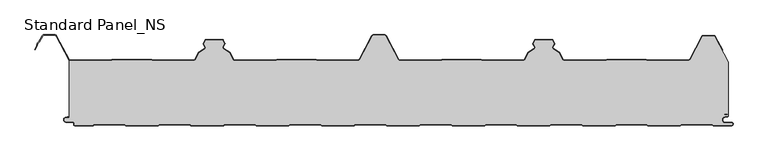
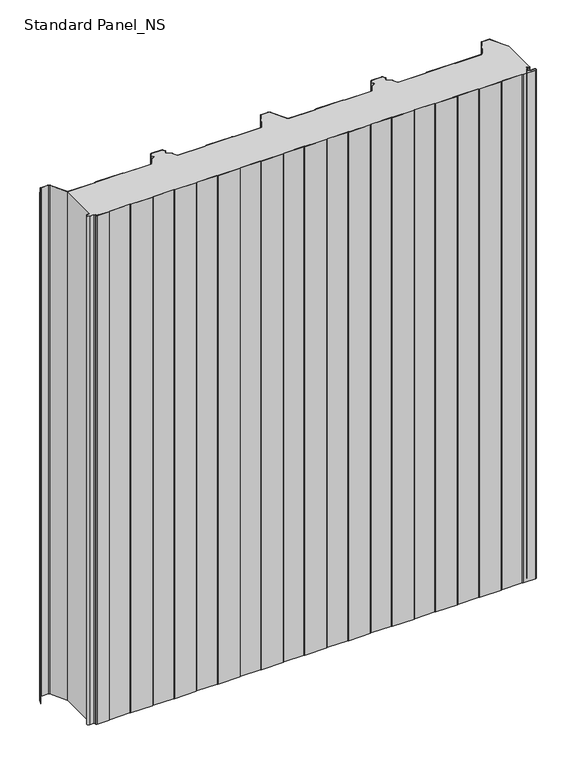
"""IFC4 building model written with IfcOpenShell, lengths in millimetres: proxy geometry, Standard Panel_NS."""

from ifc_helpers import new_model, si_unit, point, frame_2d, origin, origin_with_axes, place, context, project, spatial, polyline, circle_curve, trimmed, segment, composite_curve, outline, extrude, source, transform, mapped, element, save


def standard_panel_ns_97a75195(model_context):
    return source(origin(), model_context, "Body", "SweptSolid", [
        extrude(outline(composite_curve([segment(polyline([(-467.4564897, 99.2), (-406.1619183, 99.2), (-403.7802849, 100.1683897), (-343.9889442, 100.1683897), (-341.6073108, 99.2), (-279.468044, 99.2)]), True, "CONTINUOUS"), segment(trimmed(circle_curve(frame_2d((-279.4708299, 100.9999978)), 1.8), [point((-279.468044, 99.2))], [point((-277.8815327, 100.1549332))], True, "CARTESIAN"), True, "CONTINUOUS"), segment(polyline([(-277.8815327, 100.1549332), (-271.7571118, 111.6730163), (-262.7737199, 117.3606338)]), True, "CONTINUOUS"), segment(trimmed(circle_curve(frame_2d((-263.7365884, 118.8814507)), 1.8), [point((-262.7737199, 117.3606338))], [point((-262.1275659, 119.6883253))], True, "CARTESIAN"), True, "CONTINUOUS"), segment(polyline([(-262.1275659, 119.6883253), (-264.7246358, 124.8672514), (-261.74715, 130.4669529), (-236.2531818, 130.4669529), (-233.2700817, 124.8564238), (-235.8618916, 119.6882431)]), True, "CONTINUOUS"), segment(trimmed(circle_curve(frame_2d((-234.2528851, 118.8813366)), 1.8), [point((-235.8618916, 119.6882431))], [point((-235.2157839, 117.3605387))], True, "CARTESIAN"), True, "CONTINUOUS"), segment(polyline([(-235.2157839, 117.3605387), (-226.2491619, 111.6832892), (-220.1195157, 100.1548264)]), True, "CONTINUOUS"), segment(trimmed(circle_curve(frame_2d((-218.5304355, 100.9997352)), 1.7997352), [point((-220.1195157, 100.1548264))], [point((-218.5304355, 99.2))], True, "CARTESIAN"), True, "CONTINUOUS"), segment(polyline([(-218.5304355, 99.2), (-156.392871, 99.2), (-154.0112306, 100.1683897), (-94.2198897, 100.1683897), (-91.8382499, 99.2), (-30.5436784, 99.2)]), True, "CONTINUOUS"), segment(trimmed(circle_curve(frame_2d((-30.5436784, 101.75)), 2.55), [point((-30.5436784, 99.2))], [point((-28.292162, 100.5528475))], True, "CARTESIAN"), True, "CONTINUOUS"), segment(polyline([(-28.292162, 100.5528475), (-9.1889275, 136.4808064)]), True, "CONTINUOUS"), segment(trimmed(circle_curve(frame_2d((-7.3788849, 135.5183897)), 2.05), [point((-9.1889275, 136.4808064))], [point((-7.3788849, 137.5683897))], False, "CARTESIAN"), True, "CONTINUOUS"), segment(polyline([(-7.3788849, 137.5683897), (9.3787035, 137.5683897)]), True, "CONTINUOUS"), segment(trimmed(circle_curve(frame_2d((9.3787035, 135.5183897)), 2.05), [point((9.3787035, 137.5683897))], [point((11.188746, 136.4808064))], False, "CARTESIAN"), True, "CONTINUOUS"), segment(polyline([(11.188746, 136.4808064), (30.2919806, 100.5528475)]), True, "CONTINUOUS"), segment(trimmed(circle_curve(frame_2d((32.543497, 101.75)), 2.55), [point((30.2919806, 100.5528475))], [point((32.543497, 99.2))], True, "CARTESIAN"), True, "CONTINUOUS"), segment(polyline([(32.543497, 99.2), (94.3380684, 99.2), (96.7197082, 100.1683897), (156.5110491, 100.1683897), (158.8926889, 99.2), (220.3454724, 99.2)]), True, "CONTINUOUS"), segment(trimmed(circle_curve(frame_2d((220.5302541, 100.9904904)), 1.8), [point((220.3454724, 99.2))], [point((222.1195681, 100.1454573))], True, "CARTESIAN"), True, "CONTINUOUS"), segment(polyline([(222.1195681, 100.1454573), (228.2489804, 111.6734802), (237.2156025, 117.3507298)]), True, "CONTINUOUS"), segment(trimmed(circle_curve(frame_2d((236.2527038, 118.8715276)), 1.8), [point((237.2156025, 117.3507298))], [point((237.8617103, 119.6784342))], True, "CARTESIAN"), True, "CONTINUOUS"), segment(polyline([(237.8617103, 119.6784342), (235.2699012, 124.8466132), (238.2529825, 130.4573069), (263.7468294, 130.4573069), (266.7244548, 124.8574433), (264.1273846, 119.6785164)]), True, "CONTINUOUS"), segment(trimmed(circle_curve(frame_2d((265.7364071, 118.8716418)), 1.8), [point((264.1273846, 119.6785164))], [point((264.7735386, 117.3508249))], True, "CARTESIAN"), True, "CONTINUOUS"), segment(polyline([(264.7735386, 117.3508249), (273.7569305, 111.6632074), (279.8813514, 100.1451242)]), True, "CONTINUOUS"), segment(trimmed(circle_curve(frame_2d((281.4706486, 100.9901889)), 1.8), [point((279.8813514, 100.1451242))], [point((281.6583282, 99.2))], True, "CARTESIAN"), True, "CONTINUOUS"), segment(polyline([(281.6583282, 99.2), (343.5388467, 99.2), (346.5543556, 100.1683897), (406.3541332, 100.1683897), (409.30759, 99.2), (470.7064911, 99.2)]), True, "CONTINUOUS"), segment(trimmed(circle_curve(frame_2d((470.7064911, 101.7198823)), 2.5198823), [point((470.7064911, 99.2))], [point((472.9163892, 100.5090325))], True, "CARTESIAN"), True, "CONTINUOUS"), segment(polyline([(472.9163892, 100.5090325), (491.4348615, 135.4813607)]), True, "CONTINUOUS"), segment(trimmed(circle_curve(frame_2d((493.2446093, 134.5183897)), 2.05), [point((491.4348615, 135.4813607))], [point((493.2446093, 136.5683897))], False, "CARTESIAN"), True, "CONTINUOUS"), segment(polyline([(493.2446093, 136.5683897), (508.7552093, 136.5683897)]), True, "CONTINUOUS"), segment(trimmed(circle_curve(frame_2d((508.7552093, 134.5183897)), 2.05), [point((508.7552093, 136.5683897))], [point((510.5652518, 135.4808064))], False, "CARTESIAN"), True, "CONTINUOUS"), segment(polyline([(510.5652518, 135.4808064), (531.1556154, 96.7559646), (531.1556156, 15.3551162)]), True, "CONTINUOUS"), segment(trimmed(circle_curve(frame_2d((529.5058468, 15.3274964)), 1.65), [point((531.1556156, 15.3551162))], [point((529.7378129, 16.9611095))], True, "CARTESIAN"), True, "CONTINUOUS"), segment(polyline([(529.7378129, 16.9611095), (524.8136969, 17.660313), (524.7012285, 16.8682582), (529.6253445, 16.1690547)]), True, "CONTINUOUS"), segment(trimmed(circle_curve(frame_2d((529.5058468, 15.3274964)), 0.85), [point((529.6253445, 16.1690547))], [point((529.6534477, 14.4904098))], False, "CARTESIAN"), True, "CONTINUOUS"), segment(polyline([(529.6534477, 14.4904098), (525.3286815, 13.7278368)]), True, "CONTINUOUS"), segment(trimmed(circle_curve(frame_2d((526.1535103, 9.05)), 4.75), [point((525.3286815, 13.7278368))], [point((526.1535103, 4.3))], True, "CARTESIAN"), True, "CONTINUOUS"), segment(polyline([(526.1535103, 4.3), (535.6535103, 4.3)]), True, "CONTINUOUS"), segment(trimmed(circle_curve(frame_2d((535.6535103, 2.55)), 1.75), [point((535.6535103, 4.3))], [point((535.6535103, 0.8))], False, "CARTESIAN"), True, "CONTINUOUS"), segment(polyline([(535.6535103, 0.8), (508.0955244, 0.8), (506.3634736, 1.8), (459.8988565, 1.8), (458.1668057, 0.8), (409.0955244, 0.8), (407.3634736, 1.8), (360.8988565, 1.8), (359.1668057, 0.8), (310.0955244, 0.8), (308.3634736, 1.8), (261.8988565, 1.8), (260.1668057, 0.8), (211.097319, 0.8), (209.3228176, 1.8), (162.8988565, 1.8), (161.1668057, 0.8), (112.0955244, 0.8), (110.3634736, 1.8), (63.8988565, 1.8), (62.1668057, 0.8), (13.0955244, 0.8), (11.3634736, 1.8), (-35.1011435, 1.8), (-36.8331943, 0.8), (-85.902681, 0.8), (-87.6771824, 1.8), (-134.1011435, 1.8), (-135.8331943, 0.8), (-184.902681, 0.8), (-186.6771824, 1.8), (-233.1011435, 1.8), (-234.8331943, 0.8), (-283.9044756, 0.8), (-285.6365264, 1.8), (-332.1011435, 1.8), (-333.8331943, 0.786297), (-382.902681, 0.786297), (-384.6771824, 1.786297), (-431.1011435, 1.786297), (-432.8331943, 0.786297), (-459.8464897, 0.786297)]), True, "CONTINUOUS"), segment(trimmed(circle_curve(frame_2d((-459.8464897, 2.036297)), 1.25), [point((-459.8464897, 0.786297))], [point((-461.0964897, 2.036297))], False, "CARTESIAN"), True, "CONTINUOUS"), segment(polyline([(-461.0964897, 2.036297), (-461.0964897, 3.436297)]), True, "CONTINUOUS"), segment(trimmed(circle_curve(frame_2d((-463.8464897, 3.436297)), 2.75), [point((-461.0964897, 3.436297))], [point((-463.8464897, 6.186297))], True, "CARTESIAN"), True, "CONTINUOUS"), segment(polyline([(-463.8464897, 6.186297), (-473.6464897, 6.186297)]), True, "CONTINUOUS"), segment(trimmed(circle_curve(frame_2d((-473.6464897, 9.036297)), 2.85), [point((-473.6464897, 6.186297))], [point((-474.2876002, 11.8132517))], False, "CARTESIAN"), True, "CONTINUOUS"), segment(polyline([(-474.2876002, 11.8132517), (-468.8443846, 13.0699171), (-468.8443846, 99.6107833)]), True, "CONTINUOUS"), segment(trimmed(circle_curve(frame_2d((-467.4564897, 101.75)), 2.55), [point((-468.8443846, 99.6107833))], [point((-467.4564897, 99.2))], True, "CARTESIAN"), True, "CONTINUOUS")], self_intersect=False)), origin_with_axes(), (0.0, 0.0, 1.0), 1219.2),
        extrude(outline(composite_curve([segment(polyline([(535.6535103, 0.0), (507.881165, 0.0), (506.1491142, 1.0), (460.1132158, 1.0), (458.381165, 0.0), (408.881165, 0.0), (407.1491142, 1.0), (361.1132158, 1.0), (359.381165, 0.0), (309.881165, 0.0), (308.1491142, 1.0), (262.1132158, 1.0), (260.381165, 0.0), (210.8874211, 0.0), (209.1129196, 1.0), (163.1132158, 1.0), (161.381165, 0.0), (111.881165, 0.0), (110.1491142, 1.0), (64.1132158, 1.0), (62.381165, 0.0), (12.881165, 0.0), (11.1491142, 1.0), (-34.8867842, 1.0), (-36.618835, 0.0), (-86.1125789, 0.0), (-87.8870804, 1.0), (-133.8867842, 1.0), (-135.618835, 0.0), (-185.1125789, 0.0), (-186.8870804, 1.0), (-232.8867842, 1.0), (-234.618835, 0.0), (-284.118835, 0.0), (-285.8508858, 1.0), (-331.8867842, 1.0), (-333.618835, -0.013703), (-383.1125789, -0.013703), (-384.8870804, 0.986297), (-430.8867842, 0.986297), (-432.618835, -0.013703), (-459.8464897, -0.013703)]), True, "CONTINUOUS"), segment(trimmed(circle_curve(frame_2d((-459.8464897, 2.036297)), 2.05), [point((-459.8464897, -0.013703))], [point((-461.8964897, 2.036297))], False, "CARTESIAN"), True, "CONTINUOUS"), segment(polyline([(-461.8964897, 2.036297), (-461.8964897, 3.436297)]), True, "CONTINUOUS"), segment(trimmed(circle_curve(frame_2d((-463.8464897, 3.436297)), 1.95), [point((-461.8964897, 3.436297))], [point((-463.8464897, 5.386297))], True, "CARTESIAN"), True, "CONTINUOUS"), segment(polyline([(-463.8464897, 5.386297), (-473.6464897, 5.386297)]), True, "CONTINUOUS"), segment(trimmed(circle_curve(frame_2d((-473.6464897, 9.036297)), 3.65), [point((-473.6464897, 5.386297))], [point((-474.4675611, 12.5927478))], False, "CARTESIAN"), True, "CONTINUOUS"), segment(polyline([(-474.4675611, 12.5927478), (-469.0243454, 13.8494131), (-468.8443846, 13.0699171), (-474.2876002, 11.8132517)]), True, "CONTINUOUS"), segment(trimmed(circle_curve(frame_2d((-473.6464897, 9.036297)), 2.85), [point((-474.2876002, 11.8132517))], [point((-473.6464897, 6.186297))], True, "CARTESIAN"), True, "CONTINUOUS"), segment(polyline([(-473.6464897, 6.186297), (-463.8464897, 6.186297)]), True, "CONTINUOUS"), segment(trimmed(circle_curve(frame_2d((-463.8464897, 3.436297)), 2.75), [point((-463.8464897, 6.186297))], [point((-461.0964897, 3.436297))], False, "CARTESIAN"), True, "CONTINUOUS"), segment(polyline([(-461.0964897, 3.436297), (-461.0964897, 2.036297)]), True, "CONTINUOUS"), segment(trimmed(circle_curve(frame_2d((-459.8464897, 2.036297)), 1.25), [point((-461.0964897, 2.036297))], [point((-459.8464897, 0.786297))], True, "CARTESIAN"), True, "CONTINUOUS"), segment(polyline([(-459.8464897, 0.786297), (-432.8331943, 0.786297), (-431.1011435, 1.786297), (-384.6771824, 1.786297), (-382.902681, 0.786297), (-333.8331943, 0.786297), (-332.1011435, 1.8), (-285.6365264, 1.8), (-283.9044756, 0.8), (-234.8331943, 0.8), (-233.1011435, 1.8), (-186.6771824, 1.8), (-184.902681, 0.8), (-135.8331943, 0.8), (-134.1011435, 1.8), (-87.6771824, 1.8), (-85.902681, 0.8), (-36.8331943, 0.8), (-35.1011435, 1.8), (11.3634736, 1.8), (13.0955244, 0.8), (62.1668057, 0.8), (63.8988565, 1.8), (110.3634736, 1.8), (112.0955244, 0.8), (161.1668057, 0.8), (162.8988565, 1.8), (209.3228176, 1.8), (211.097319, 0.8), (260.1668057, 0.8), (261.8988565, 1.8), (308.3634736, 1.8), (310.0955244, 0.8), (359.1668057, 0.8), (360.8988565, 1.8), (407.3634736, 1.8), (409.0955244, 0.8), (458.1668057, 0.8), (459.8988565, 1.8), (506.3634736, 1.8), (508.0955244, 0.8), (535.6535103, 0.8)]), True, "CONTINUOUS"), segment(trimmed(circle_curve(frame_2d((535.6535103, 2.55)), 1.75), [point((535.6535103, 0.8))], [point((535.6535103, 4.3))], True, "CARTESIAN"), True, "CONTINUOUS"), segment(polyline([(535.6535103, 4.3), (526.1535103, 4.3)]), True, "CONTINUOUS"), segment(trimmed(circle_curve(frame_2d((526.1535103, 9.05)), 4.75), [point((526.1535103, 4.3))], [point((525.3286815, 13.7278368))], False, "CARTESIAN"), True, "CONTINUOUS"), segment(polyline([(525.3286815, 13.7278368), (529.6534477, 14.4904098)]), True, "CONTINUOUS"), segment(trimmed(circle_curve(frame_2d((529.5058468, 15.3274964)), 0.85), [point((529.6534477, 14.4904098))], [point((529.6253445, 16.1690547))], True, "CARTESIAN"), True, "CONTINUOUS"), segment(polyline([(529.6253445, 16.1690547), (524.7012285, 16.8682582), (524.8136969, 17.660313), (529.7378129, 16.9611095)]), True, "CONTINUOUS"), segment(trimmed(circle_curve(frame_2d((529.5058468, 15.3274964)), 1.65), [point((529.7378129, 16.9611095))], [point((529.7923663, 13.7025636))], False, "CARTESIAN"), True, "CONTINUOUS"), segment(polyline([(529.7923663, 13.7025636), (525.4676, 12.9399906)]), True, "CONTINUOUS"), segment(trimmed(circle_curve(frame_2d((526.1535103, 9.05)), 3.95), [point((525.4676, 12.9399906))], [point((526.1535103, 5.1))], True, "CARTESIAN"), True, "CONTINUOUS"), segment(polyline([(526.1535103, 5.1), (535.6535103, 5.1)]), True, "CONTINUOUS"), segment(trimmed(circle_curve(frame_2d((535.6535103, 2.55)), 2.55), [point((535.6535103, 5.1))], [point((535.6535103, 0.0))], False, "CARTESIAN"), True, "CONTINUOUS")], self_intersect=False)), origin_with_axes(), (0.0, 0.0, 1.0), 1219.2),
        extrude(outline(composite_curve([segment(polyline([(-467.4564897, 100.0), (-406.318343, 100.0), (-403.9367096, 100.9683897), (-343.8325195, 100.9683897), (-341.4508861, 100.0), (-279.4687534, 100.0)]), True, "CONTINUOUS"), segment(trimmed(circle_curve(frame_2d((-279.4708299, 100.9999978)), 1.0), [point((-279.4687534, 100.0))], [point((-278.587887, 100.5305175))], True, "CARTESIAN"), True, "CONTINUOUS"), segment(polyline([(-278.587887, 100.5305175), (-272.3640204, 112.2356263), (-263.2016615, 118.0365524)]), True, "CONTINUOUS"), segment(trimmed(circle_curve(frame_2d((-263.7365884, 118.8814507)), 1.0), [point((-263.2016615, 118.0365524))], [point((-262.842687, 119.3297144))], True, "CARTESIAN"), True, "CONTINUOUS"), segment(polyline([(-262.842687, 119.3297144), (-265.393451, 124.4163001)]), True, "CONTINUOUS"), segment(trimmed(circle_curve(frame_2d((-264.4995496, 124.8645637)), 1.0), [point((-265.393451, 124.4163001))], [point((-265.3824926, 125.3340441))], False, "CARTESIAN"), True, "CONTINUOUS"), segment(polyline([(-265.3824926, 125.3340441), (-262.6508365, 130.4714183)]), True, "CONTINUOUS"), segment(trimmed(circle_curve(frame_2d((-261.3264221, 129.7671978)), 1.5), [point((-262.6508365, 130.4714183))], [point((-261.2993182, 131.2669529))], False, "CARTESIAN"), True, "CONTINUOUS"), segment(polyline([(-261.2993182, 131.2669529), (-236.6737889, 131.2669529)]), True, "CONTINUOUS"), segment(trimmed(circle_curve(frame_2d((-236.6737889, 129.7669529)), 1.5), [point((-236.6737889, 131.2669529))], [point((-235.3493606, 130.4711471))], False, "CARTESIAN"), True, "CONTINUOUS"), segment(polyline([(-235.3493606, 130.4711471), (-232.6122157, 125.3232034)]), True, "CONTINUOUS"), segment(trimmed(circle_curve(frame_2d((-233.4951679, 124.8537406)), 1.0), [point((-232.6122157, 125.3232034))], [point((-232.6012754, 124.4054592))], False, "CARTESIAN"), True, "CONTINUOUS"), segment(polyline([(-232.6012754, 124.4054592), (-235.1467776, 119.329618)]), True, "CONTINUOUS"), segment(trimmed(circle_curve(frame_2d((-234.2528851, 118.8813366)), 1.0), [point((-235.1467776, 119.329618))], [point((-234.7878289, 118.0364489))], True, "CARTESIAN"), True, "CONTINUOUS"), segment(polyline([(-234.7878289, 118.0364489), (-225.6422421, 112.2458871), (-219.413154, 100.5303966)]), True, "CONTINUOUS"), segment(trimmed(circle_curve(frame_2d((-218.5304355, 100.9997352)), 0.9997353), [point((-219.413154, 100.5303966))], [point((-218.5304355, 99.9999999))], True, "CARTESIAN"), True, "CONTINUOUS"), segment(polyline([(-218.5304355, 99.9999999), (-156.5492953, 99.9999999), (-154.1676549, 100.9683897), (-94.0634654, 100.9683897), (-91.6818255, 100.0), (-30.5436784, 100.0)]), True, "CONTINUOUS"), segment(trimmed(circle_curve(frame_2d((-30.5436784, 101.75)), 1.75), [point((-30.5436784, 100.0))], [point((-28.9985201, 100.9284248))], True, "CARTESIAN"), True, "CONTINUOUS"), segment(polyline([(-28.9985201, 100.9284248), (-9.8952855, 136.8563836)]), True, "CONTINUOUS"), segment(trimmed(circle_curve(frame_2d((-7.3788849, 135.5183897)), 2.85), [point((-9.8952855, 136.8563836))], [point((-7.3788849, 138.3683897))], False, "CARTESIAN"), True, "CONTINUOUS"), segment(polyline([(-7.3788849, 138.3683897), (9.3787035, 138.3683897)]), True, "CONTINUOUS"), segment(trimmed(circle_curve(frame_2d((9.3787035, 135.5183897)), 2.85), [point((9.3787035, 138.3683897))], [point((11.8951041, 136.8563836))], False, "CARTESIAN"), True, "CONTINUOUS"), segment(polyline([(11.8951041, 136.8563836), (30.9983387, 100.9284248)]), True, "CONTINUOUS"), segment(trimmed(circle_curve(frame_2d((32.543497, 101.75)), 1.75), [point((30.9983387, 100.9284248))], [point((32.543497, 100.0))], True, "CARTESIAN"), True, "CONTINUOUS"), segment(polyline([(32.543497, 100.0), (93.6816441, 100.0), (96.0632839, 100.9683897), (156.1674734, 100.9683897), (158.5491133, 100.0), (220.3926719, 100.0)]), True, "CONTINUOUS"), segment(trimmed(circle_curve(frame_2d((220.5302541, 100.9904904)), 1.0), [point((220.3926719, 100.0))], [point((221.4132063, 100.5210275))], True, "CARTESIAN"), True, "CONTINUOUS"), segment(polyline([(221.4132063, 100.5210275), (227.6420606, 112.2360781), (236.7876475, 118.0266399)]), True, "CONTINUOUS"), segment(trimmed(circle_curve(frame_2d((236.2527038, 118.8715276)), 1.0), [point((236.7876475, 118.0266399))], [point((237.1465963, 119.319809))], True, "CARTESIAN"), True, "CONTINUOUS"), segment(polyline([(237.1465963, 119.319809), (234.6010941, 124.3956503)]), True, "CONTINUOUS"), segment(trimmed(circle_curve(frame_2d((235.4949866, 124.8439317)), 1.0), [point((234.6010941, 124.3956503))], [point((234.6120274, 125.3133815))], False, "CARTESIAN"), True, "CONTINUOUS"), segment(polyline([(234.6120274, 125.3133815), (237.3491357, 130.4614397)]), True, "CONTINUOUS"), segment(trimmed(circle_curve(frame_2d((238.673644, 129.7572281)), 1.5000788), [point((237.3491357, 130.4614397))], [point((238.673644, 131.2573069))], False, "CARTESIAN"), True, "CONTINUOUS"), segment(polyline([(238.673644, 131.2573069), (263.3262591, 131.2573069)]), True, "CONTINUOUS"), segment(trimmed(circle_curve(frame_2d((263.3262591, 129.7573465)), 1.4999604), [point((263.3262591, 131.2573069))], [point((264.6506332, 130.4615583))], False, "CARTESIAN"), True, "CONTINUOUS"), segment(polyline([(264.6506332, 130.4615583), (267.3823077, 125.3242418)]), True, "CONTINUOUS"), segment(trimmed(circle_curve(frame_2d((266.4993683, 124.8547548)), 1.0), [point((267.3823077, 125.3242418))], [point((267.3932697, 124.4064911))], False, "CARTESIAN"), True, "CONTINUOUS"), segment(polyline([(267.3932697, 124.4064911), (264.8425057, 119.3199055)]), True, "CONTINUOUS"), segment(trimmed(circle_curve(frame_2d((265.7364071, 118.8716418)), 1.0), [point((264.8425057, 119.3199055))], [point((265.2014801, 118.0267435))], True, "CARTESIAN"), True, "CONTINUOUS"), segment(polyline([(265.2014801, 118.0267435), (274.3638391, 112.2258174), (280.5877057, 100.5207085)]), True, "CONTINUOUS"), segment(trimmed(circle_curve(frame_2d((281.4706486, 100.9901889)), 1.0), [point((280.5877057, 100.5207085))], [point((281.6103837, 100.0))], True, "CARTESIAN"), True, "CONTINUOUS"), segment(polyline([(281.6103837, 100.0), (343.3151107, 100.0), (346.3306196, 100.9683897), (406.4819392, 100.9683897), (409.435396, 100.0), (470.7064911, 100.0)]), True, "CONTINUOUS"), segment(trimmed(circle_curve(frame_2d((470.7064911, 101.7198823)), 1.7198823), [point((470.7064911, 100.0))], [point((472.2123141, 100.8889236))], True, "CARTESIAN"), True, "CONTINUOUS"), segment(polyline([(472.2123141, 100.8889236), (490.7282086, 135.8563836)]), True, "CONTINUOUS"), segment(trimmed(circle_curve(frame_2d((493.2446093, 134.5183897)), 2.85), [point((490.7282086, 135.8563836))], [point((493.2446093, 137.3683897))], False, "CARTESIAN"), True, "CONTINUOUS"), segment(polyline([(493.2446093, 137.3683897), (508.7552093, 137.3683897)]), True, "CONTINUOUS"), segment(trimmed(circle_curve(frame_2d((508.7552093, 134.5183897)), 2.85), [point((508.7552093, 137.3683897))], [point((511.2716099, 135.8563836))], False, "CARTESIAN"), True, "CONTINUOUS"), segment(polyline([(511.2716099, 135.8563836), (522.2394046, 115.2289619), (521.5330465, 114.8533847), (510.5652518, 135.4808064)]), True, "CONTINUOUS"), segment(trimmed(circle_curve(frame_2d((508.7552093, 134.5183897)), 2.05), [point((510.5652518, 135.4808064))], [point((508.7552093, 136.5683897))], True, "CARTESIAN"), True, "CONTINUOUS"), segment(polyline([(508.7552093, 136.5683897), (493.2446093, 136.5683897)]), True, "CONTINUOUS"), segment(trimmed(circle_curve(frame_2d((493.2446093, 134.5183897)), 2.05), [point((493.2446093, 136.5683897))], [point((491.4348615, 135.4813607))], True, "CARTESIAN"), True, "CONTINUOUS"), segment(polyline([(491.4348615, 135.4813607), (472.9163892, 100.5090325)]), True, "CONTINUOUS"), segment(trimmed(circle_curve(frame_2d((470.7064911, 101.7198823)), 2.5198823), [point((472.9163892, 100.5090325))], [point((470.7064911, 99.2))], False, "CARTESIAN"), True, "CONTINUOUS"), segment(polyline([(470.7064911, 99.2), (409.30759, 99.2), (406.3541332, 100.1683897), (346.4559229, 100.1683897), (343.440414, 99.2), (281.6583282, 99.2)]), True, "CONTINUOUS"), segment(trimmed(circle_curve(frame_2d((281.4706486, 100.9901889)), 1.8), [point((281.6583282, 99.2))], [point((279.8813514, 100.1451242))], False, "CARTESIAN"), True, "CONTINUOUS"), segment(polyline([(279.8813514, 100.1451242), (273.7569305, 111.6632074), (264.7735386, 117.3508249)]), True, "CONTINUOUS"), segment(trimmed(circle_curve(frame_2d((265.7364071, 118.8716418)), 1.8), [point((264.7735386, 117.3508249))], [point((264.1273846, 119.6785164))], False, "CARTESIAN"), True, "CONTINUOUS"), segment(polyline([(264.1273846, 119.6785164), (266.7244548, 124.8574433), (263.7468294, 130.4573069), (238.2529825, 130.4573069), (235.2699012, 124.8466132), (237.8617103, 119.6784342)]), True, "CONTINUOUS"), segment(trimmed(circle_curve(frame_2d((236.2527038, 118.8715276)), 1.8), [point((237.8617103, 119.6784342))], [point((237.2156025, 117.3507298))], False, "CARTESIAN"), True, "CONTINUOUS"), segment(polyline([(237.2156025, 117.3507298), (228.2489804, 111.6734802), (222.1195681, 100.1454573)]), True, "CONTINUOUS"), segment(trimmed(circle_curve(frame_2d((220.5302541, 100.9904904)), 1.8), [point((222.1195681, 100.1454573))], [point((220.3454724, 99.2))], False, "CARTESIAN"), True, "CONTINUOUS"), segment(polyline([(220.3454724, 99.2), (158.3926889, 99.2), (156.0110491, 100.1683897), (96.2197082, 100.1683897), (93.8380684, 99.2), (32.543497, 99.2)]), True, "CONTINUOUS"), segment(trimmed(circle_curve(frame_2d((32.543497, 101.75)), 2.55), [point((32.543497, 99.2))], [point((30.2919806, 100.5528475))], False, "CARTESIAN"), True, "CONTINUOUS"), segment(polyline([(30.2919806, 100.5528475), (11.188746, 136.4808064)]), True, "CONTINUOUS"), segment(trimmed(circle_curve(frame_2d((9.3787035, 135.5183897)), 2.05), [point((11.188746, 136.4808064))], [point((9.3787035, 137.5683897))], True, "CARTESIAN"), True, "CONTINUOUS"), segment(polyline([(9.3787035, 137.5683897), (-7.3788849, 137.5683897)]), True, "CONTINUOUS"), segment(trimmed(circle_curve(frame_2d((-7.3788849, 135.5183897)), 2.05), [point((-7.3788849, 137.5683897))], [point((-9.1889275, 136.4808064))], True, "CARTESIAN"), True, "CONTINUOUS"), segment(polyline([(-9.1889275, 136.4808064), (-28.292162, 100.5528475)]), True, "CONTINUOUS"), segment(trimmed(circle_curve(frame_2d((-30.5436784, 101.75)), 2.55), [point((-28.292162, 100.5528475))], [point((-30.5436784, 99.2))], False, "CARTESIAN"), True, "CONTINUOUS"), segment(polyline([(-30.5436784, 99.2), (-91.8382499, 99.2), (-94.2198897, 100.1683897), (-154.0112306, 100.1683897), (-156.392871, 99.2), (-218.5304355, 99.2)]), True, "CONTINUOUS"), segment(trimmed(circle_curve(frame_2d((-218.5304355, 100.9997352)), 1.7997352), [point((-218.5304355, 99.2))], [point((-220.1195157, 100.1548264))], False, "CARTESIAN"), True, "CONTINUOUS"), segment(polyline([(-220.1195157, 100.1548264), (-226.2491619, 111.6832892), (-235.2157839, 117.3605387)]), True, "CONTINUOUS"), segment(trimmed(circle_curve(frame_2d((-234.2528851, 118.8813366)), 1.8), [point((-235.2157839, 117.3605387))], [point((-235.8618916, 119.6882431))], False, "CARTESIAN"), True, "CONTINUOUS"), segment(polyline([(-235.8618916, 119.6882431), (-233.2700817, 124.8564238), (-236.2531818, 130.4669529), (-261.74715, 130.4669529), (-264.7246358, 124.8672514), (-262.1275659, 119.6883253)]), True, "CONTINUOUS"), segment(trimmed(circle_curve(frame_2d((-263.7365884, 118.8814507)), 1.8), [point((-262.1275659, 119.6883253))], [point((-262.7737199, 117.3606338))], False, "CARTESIAN"), True, "CONTINUOUS"), segment(polyline([(-262.7737199, 117.3606338), (-271.7571118, 111.6730163), (-277.8815327, 100.1549332)]), True, "CONTINUOUS"), segment(trimmed(circle_curve(frame_2d((-279.4708299, 100.9999978)), 1.8), [point((-277.8815327, 100.1549332))], [point((-279.468044, 99.2))], False, "CARTESIAN"), True, "CONTINUOUS"), segment(polyline([(-279.468044, 99.2), (-341.6073108, 99.2), (-343.9889442, 100.1683897), (-403.7802849, 100.1683897), (-406.1619183, 99.2), (-467.4564897, 99.2)]), True, "CONTINUOUS"), segment(trimmed(circle_curve(frame_2d((-467.4564897, 101.75)), 2.55), [point((-467.4564897, 99.2))], [point((-469.7080061, 100.5528475))], False, "CARTESIAN"), True, "CONTINUOUS"), segment(polyline([(-469.7080061, 100.5528475), (-488.8112406, 136.4808064)]), True, "CONTINUOUS"), segment(trimmed(circle_curve(frame_2d((-490.6212832, 135.5183897)), 2.05), [point((-488.8112406, 136.4808064))], [point((-490.6212832, 137.5683897))], True, "CARTESIAN"), True, "CONTINUOUS"), segment(polyline([(-490.6212832, 137.5683897), (-507.3620907, 137.5683897)]), True, "CONTINUOUS"), segment(trimmed(circle_curve(frame_2d((-507.3620907, 135.5183897)), 2.05), [point((-507.3620907, 137.5683897))], [point((-509.1721333, 136.4808064))], True, "CARTESIAN"), True, "CONTINUOUS"), segment(polyline([(-509.1721333, 136.4808064), (-514.1174305, 127.1800551), (-516.4385398, 124.9723908), (-517.0120726, 121.7360251), (-520.1399217, 115.8533964), (-520.8462798, 116.2289737), (-517.7777505, 122.000038), (-517.1803883, 125.3708693), (-514.7628407, 127.6702585), (-509.8784914, 136.8563836)]), True, "CONTINUOUS"), segment(trimmed(circle_curve(frame_2d((-507.3620907, 135.5183897)), 2.85), [point((-509.8784914, 136.8563836))], [point((-507.3620907, 138.3683897))], False, "CARTESIAN"), True, "CONTINUOUS"), segment(polyline([(-507.3620907, 138.3683897), (-490.6212832, 138.3683897)]), True, "CONTINUOUS"), segment(trimmed(circle_curve(frame_2d((-490.6212832, 135.5183897)), 2.85), [point((-490.6212832, 138.3683897))], [point((-488.1048826, 136.8563836))], False, "CARTESIAN"), True, "CONTINUOUS"), segment(polyline([(-488.1048826, 136.8563836), (-469.001648, 100.9284248)]), True, "CONTINUOUS"), segment(trimmed(circle_curve(frame_2d((-467.4564897, 101.75)), 1.75), [point((-469.001648, 100.9284248))], [point((-467.4564897, 100.0))], True, "CARTESIAN"), True, "CONTINUOUS")], self_intersect=False)), origin_with_axes(), (0.0, 0.0, 1.0), 1219.2),
    ])


if __name__ == "__main__":
    model = new_model("IFC4")
    model_context = context("Model", 3, world=origin())
    ifc_project = project(units=[si_unit("LENGTHUNIT", "METRE", prefix="MILLI")], contexts=[model_context])
    site = spatial("IfcSite", under=ifc_project)
    building = spatial("IfcBuilding", under=site)
    placement = place(None, origin())
    standard_panel_ns_shape = standard_panel_ns_97a75195(model_context)
    element("IfcBuildingElementProxy", 1, Name="Standard Panel_NS", ObjectType="Standard Panel_NS", at=placement, inside=building, context=model_context, shape_type="MappedRepresentation", body=[
        mapped(standard_panel_ns_shape, transform((0.0, 0.0, 0.0), x_axis=(1.0, 0.0, 0.0), y_axis=(0.0, 1.0, 0.0), z_axis=(0.0, 0.0, 1.0))),
    ])
    save(model, "model.ifc")
